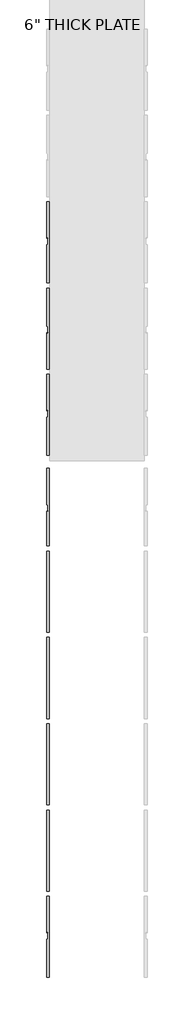
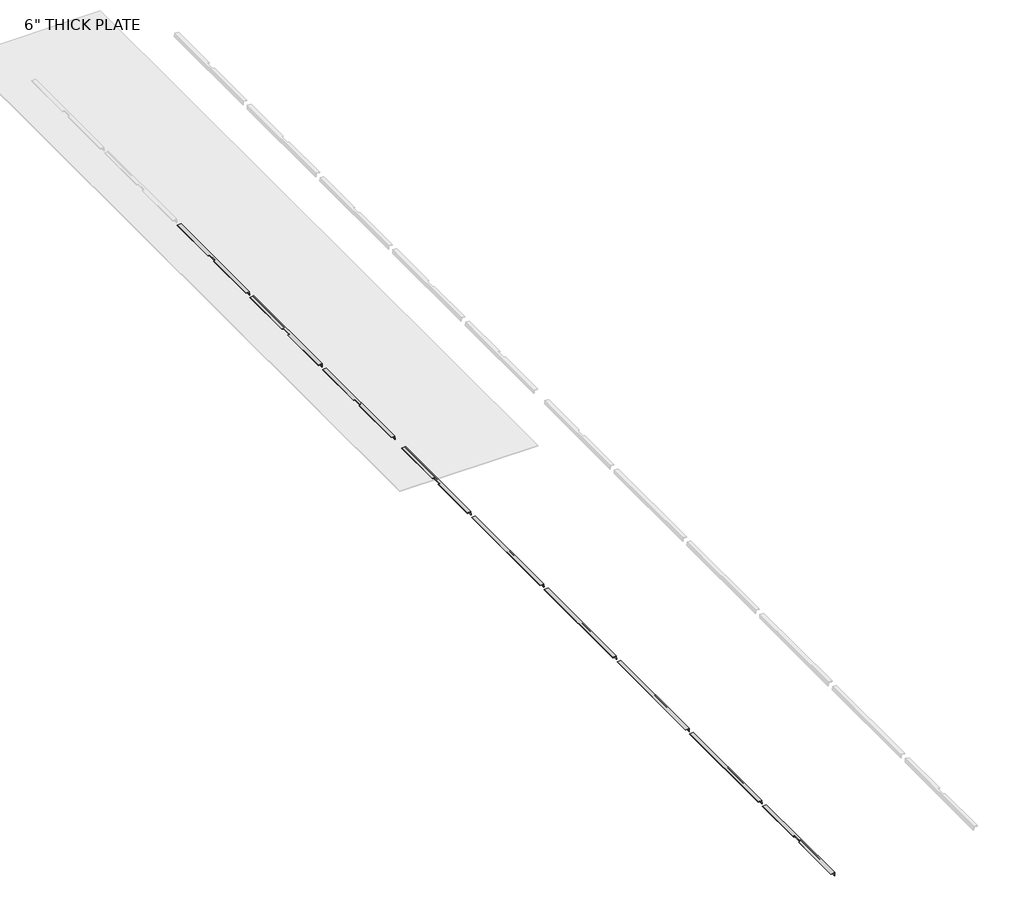
# One storey, part 1 of 3: 9 beams.
"""IFC4 building model written with IfcOpenShell, lengths in millimetres."""

from ifc_helpers import new_model, si_unit, point, frame, frame_2d, origin, place, context, project, spatial, polyline, circle_curve, ellipse_curve, trimmed, segment, composite_curve, outline, extrude, element, save
from ifc_brep_helpers import plane_surface, cylinder_surface, revolved_surface, advanced_brep

model = new_model("IFC4")

# Units and contexts
model_context = context("Model", 3, world=origin())
ifc_project = project(units=[si_unit("LENGTHUNIT", "METRE", prefix="MILLI")], contexts=[model_context])

# Site, building, storey
site = spatial("IfcSite", under=ifc_project)
building = spatial("IfcBuilding", under=site)
storey = spatial("IfcBuildingStorey", under=building, Name="6\" THICK PLATE", Elevation=15389.0)

# Beams
placement = place(None, origin())
element("IfcBeam", 1, ObjectType="RSA-Rectangular Steel Angle : 50x50x6+RSA", at=placement, inside=storey, context=model_context, shape_type="AdvancedBrep", body=[
    advanced_brep(
    [(-972.467522, 15732.4479556, 16109.2881776), (-922.6577871, 15732.4479556, 16113.6459647), (-918.3, 15732.4479556, 16063.8362298), (-919.993531, 15732.4479556, 16063.688065), (-925.1936131, 15732.4479556, 16068.051452), (-927.6078272, 15732.4479556, 16095.6460452), (-939.524682, 15732.4479556, 16105.6454737), (-967.1192752, 15732.4479556, 16103.2312596), (-972.3193573, 15732.4479556, 16107.5946466), (-918.3, 14162.4479556, 16063.8362298), (-922.6577871, 14162.4479556, 16113.6459647), (-972.467522, 14162.4479556, 16109.2881776), (-972.3193573, 14162.4479556, 16107.5946466), (-967.1192752, 14162.4479556, 16103.2312596), (-939.524682, 14162.4479556, 16105.6454737), (-927.6078272, 14162.4479556, 16095.6460452), (-925.1936131, 14162.4479556, 16068.051452), (-919.993531, 14162.4479556, 16063.688065), (-967.1192752, 14891.1404403, 16103.2312596), (-960.0, 14891.8286062, 16103.8541155), (-950.0, 14907.6972638, 16104.7290021), (-950.0, 15012.0115023, 16104.7290021), (-960.0, 15025.9469128, 16103.8541155), (-967.1192752, 15025.258747, 16103.2312596), (-972.3193573, 15030.0796601, 16107.5946466), (-972.467522, 15031.9507675, 16109.2881776), (-960.0, 15033.1559075, 16110.3789444), (-950.0, 15019.220497, 16111.2538311), (-950.0, 14914.9062584, 16111.2538311), (-960.0, 14899.0376008, 16110.3789444), (-972.467522, 14897.8324608, 16109.2881776), (-972.3193573, 14895.9613534, 16107.5946466)],
    [
        (0, 1),
        (1, 2),
        (2, 3),
        (3, 4, circle_curve(frame((-920.4118786, 15732.4479556, 16068.4697996), z_axis=(0.0, 1.0, 0.0), x_axis=(0.08715574274765342, 0.0, -0.996194698091746)), 4.8)),
        (4, 5),
        (5, 6, circle_curve(frame((-938.5659689, 15732.4479556, 16094.687332), z_axis=(0.0, -1.0, 0.0), x_axis=(0.08715574274765342, 0.0, -0.996194698091746)), 11.0)),
        (6, 7),
        (7, 8, circle_curve(frame((-967.5376227, 15732.4479556, 16108.0129942), z_axis=(0.0, 1.0, 0.0), x_axis=(0.08715574274765342, 0.0, -0.996194698091746)), 4.8)),
        (8, 0),
        (9, 10),
        (10, 11),
        (11, 12),
        (12, 13, circle_curve(frame((-967.5376227, 14162.4479556, 16108.0129942), z_axis=(0.0, -1.0, 0.0), x_axis=(0.08715574274765342, 0.0, -0.996194698091746)), 4.8)),
        (13, 14),
        (14, 15, circle_curve(frame((-938.5659689, 14162.4479556, 16094.687332), z_axis=(0.0, 1.0, 0.0), x_axis=(0.08715574274765342, 0.0, -0.996194698091746)), 11.0)),
        (15, 16),
        (16, 17, circle_curve(frame((-920.4118786, 14162.4479556, 16068.4697996), z_axis=(0.0, -1.0, 0.0), x_axis=(0.08715574274765342, 0.0, -0.996194698091746)), 4.8)),
        (17, 9),
        (1, 10),
        (9, 2),
        (17, 3),
        (16, 4),
        (15, 5),
        (14, 6),
        (13, 18),
        (18, 19),
        (19, 20, ellipse_curve(frame((-960.0, 14906.7306402, 16103.8541155), z_axis=(-0.08715574274765342, 0.0, 0.996194698091746), x_axis=(-0.07834072715653213, -0.9969030816351065, -0.006853925518573427)), 14.9589574, 10.0)),
        (20, 21),
        (21, 22, ellipse_curve(frame((-960.0, 15011.0448788, 16103.8541155), z_axis=(-0.08715574274765342, 0.0, 0.996194698091746), x_axis=(-0.07834072715653213, -0.9969030816351065, -0.006853925518573427)), 14.9589574, 10.0)),
        (22, 23),
        (23, 7),
        (23, 24, ellipse_curve(frame((-967.5376227, 15030.5418738, 16108.0129942), z_axis=(-2.47063469377615e-12, 0.6710493311825084, -0.7414127022917183), x_axis=(2.238276867017849e-12, 0.7414127022917183, 0.6710493311825084)), 7.1529764, 4.8)),
        (24, 8),
        (24, 25),
        (25, 0),
        (25, 26),
        (26, 27, ellipse_curve(frame((-960.0, 15018.2538734, 16110.3789444), z_axis=(0.08715574274765342, 0.0, -0.996194698091746), x_axis=(-0.07834072715653213, -0.9969030816351065, -0.006853925518573427)), 14.9589574, 10.0)),
        (27, 28),
        (28, 29, ellipse_curve(frame((-960.0, 14913.9396349, 16110.3789444), z_axis=(0.08715574274765342, 0.0, -0.996194698091746), x_axis=(-0.07834072715653213, -0.9969030816351065, -0.006853925518573427)), 14.9589574, 10.0)),
        (29, 30),
        (30, 11),
        (22, 26),
        (21, 27),
        (20, 28),
        (19, 29),
        (18, 31, ellipse_curve(frame((-967.5376227, 14896.4235671, 16108.0129942), z_axis=(-2.6210457584624914e-12, 0.6710493311825084, -0.7414127022917183), x_axis=(2.374413251042876e-12, 0.7414127022917183, 0.6710493311825084)), 7.1529764, 4.8)),
        (31, 30),
        (12, 31),
    ],
    [
        plane_surface(frame((-935.5661403, 15732.4479556, 16098.2623885), z_axis=(0.0, 1.0, 0.0), x_axis=(0.996194698091746, 0.0, 0.08715574274765342))),
        plane_surface(frame((-935.5661403, 14162.4479556, 16098.2623885), z_axis=(0.0, -1.0, 0.0), x_axis=(0.996194698091746, 0.0, 0.08715574274765342))),
        plane_surface(frame((-922.6577871, 15732.4479556, 16113.6459647), z_axis=(0.996194698091746, 0.0, 0.08715574274765342), x_axis=(0.0, -1.0, 0.0))),
        plane_surface(frame((-918.3, 15732.4479556, 16063.8362298), z_axis=(0.08715574274765342, 0.0, -0.996194698091746), x_axis=(0.0, -1.0, 0.0))),
        cylinder_surface(frame((-920.4118786, 15732.4479556, 16068.4697996), z_axis=(0.0, 1.0, 0.0), x_axis=(0.08715574274765342, 0.0, -0.996194698091746)), 4.8),
        plane_surface(frame((-925.1936131, 15732.4479556, 16068.051452), z_axis=(-0.996194698091746, 0.0, -0.08715574274765342), x_axis=(0.0, -1.0, 0.0))),
        revolved_surface(polyline([(-937.6072557297758, 14162.4479556, 16083.72919032099), (-937.6072557297758, 15732.4479556, 16083.72919032099)]), (-938.5659689, 15732.4479556, 16094.687332), (0.0, -1.0, 0.0)),
        plane_surface(frame((-939.524682, 15732.4479556, 16105.6454737), z_axis=(0.08715574274765342, 0.0, -0.996194698091746), x_axis=(0.0, -1.0, 0.0))),
        cylinder_surface(frame((-967.5376227, 15732.4479556, 16108.0129942), z_axis=(0.0, 1.0, 0.0), x_axis=(0.08715574274765342, 0.0, -0.996194698091746)), 4.8),
        plane_surface(frame((-972.3193573, 15732.4479556, 16107.5946466), z_axis=(-0.996194698091746, 0.0, -0.08715574274765342), x_axis=(0.0, -1.0, 0.0))),
        plane_surface(frame((-972.467522, 15732.4479556, 16109.2881776), z_axis=(-0.08715574274765342, 0.0, 0.996194698091746), x_axis=(0.0, -1.0, 0.0))),
        plane_surface(frame((-990.0, 14078.8933154, 15246.680127), z_axis=(2.47063469377615e-12, -0.6710493311825084, 0.7414127022917183), x_axis=(-2.797244772204705e-12, 0.7414127022917183, 0.6710493311825084))),
        revolved_surface(polyline([(-970.0000000001202, 15002.796503144971, 16096.388547478253), (-970.0000000002096, 15026.502249062305, 16117.844512413623)]), (-960.0, 14970.9346822, 16067.5505554), (2.7971957972745488e-12, -0.7414127022917183, -0.6710493311825081)),
        plane_surface(frame((-950.0, 14072.1828221, 15254.094254), z_axis=(-1.0, -3.773771759757499e-12, 0.0), x_axis=(-2.797244772204705e-12, 0.7414127022917183, 0.6710493311825084))),
        revolved_surface(polyline([(-969.9999999999038, 14898.482264547949, 16096.388547474962), (-969.9999999999933, 14922.188010520253, 16117.844512460084)]), (-960.0, 14923.961229, 16119.4494446), (2.7971957972745488e-12, -0.7414127022917183, -0.6710493311825081)),
        plane_surface(frame((-960.0, 14018.4988756, 15313.4072702), z_axis=(-2.6210457584624914e-12, 0.6710493311825084, -0.7414127022917183), x_axis=(-2.797244772204705e-12, 0.7414127022917183, 0.6710493311825084))),
    ],
    [
        (0, [[1, 2, 3, 4, 5, 6, 7, 8, 9]]),
        (1, [[10, 11, 12, 13, 14, 15, 16, 17, 18]]),
        (2, [[-2, 19, -10, 20]]),
        (3, [[-3, -20, -18, 21]]),
        (4, [[-4, -21, -17, 22]]),
        (5, [[-5, -22, -16, 23]]),
        (6, [[-6, -23, -15, 24]]),
        (7, [[-7, -24, -14, 25, 26, 27, 28, 29, 30, 31]]),
        (8, [[-8, -31, 32, 33]]),
        (9, [[-9, -33, 34, 35]]),
        (10, [[-1, -35, 36, 37, 38, 39, 40, 41, -11, -19]]),
        (11, [[42, -36, -34, -32, -30]]),
        (12, [[-42, -29, 43, -37]]),
        (13, [[-43, -28, 44, -38]]),
        (14, [[-44, -27, 45, -39]]),
        (15, [[-45, -26, 46, 47, -40]]),
        (8, [[-13, 48, -46, -25]]),
        (9, [[-12, -41, -47, -48]]),
    ],
),
])
element("IfcBeam", 2, ObjectType="RSA-Rectangular Steel Angle : 50x50x6+RSA", at=placement, inside=storey, context=model_context, shape_type="AdvancedBrep", body=[
    advanced_brep(
    [(-922.6577871, 12492.4479556, 16113.6459647), (-972.467522, 12492.4479556, 16109.2881776), (-972.3193573, 12492.4479556, 16107.5946466), (-967.1192752, 12492.4479556, 16103.2312596), (-939.524682, 12492.4479556, 16105.6454737), (-927.6078272, 12492.4479556, 16095.6460452), (-925.1936131, 12492.4479556, 16068.051452), (-919.993531, 12492.4479556, 16063.688065), (-918.3, 12492.4479556, 16063.8362298), (-922.6577871, 14062.4479556, 16113.6459647), (-918.3, 14062.4479556, 16063.8362298), (-919.993531, 14062.4479556, 16063.688065), (-925.1936131, 14062.4479556, 16068.051452), (-927.6078272, 14062.4479556, 16095.6460452), (-939.524682, 14062.4479556, 16105.6454737), (-967.1192752, 14062.4479556, 16103.2312596), (-972.3193573, 14062.4479556, 16107.5946466), (-972.467522, 14062.4479556, 16109.2881776), (-967.1192752, 13199.6371643, 16103.2312596), (-960.0, 13198.9489984, 16103.8541155), (-950.0, 13212.884409, 16104.7290021), (-950.0, 13317.1986475, 16104.7290021), (-960.0, 13333.0673051, 16103.8541155), (-967.1192752, 13333.755471, 16103.2312596), (-972.3193573, 13328.9345579, 16107.5946466), (-972.467522, 13192.9451437, 16109.2881776), (-972.3193573, 13194.8162512, 16107.5946466), (-972.467522, 13327.0634504, 16109.2881776), (-960.0, 13325.8583104, 16110.3789444), (-950.0, 13309.9896528, 16111.2538311), (-950.0, 13205.6754143, 16111.2538311), (-960.0, 13191.7400037, 16110.3789444)],
    [
        (0, 1),
        (1, 2),
        (2, 3, circle_curve(frame((-967.5376227, 12492.4479556, 16108.0129942), z_axis=(0.0, -1.0, 0.0), x_axis=(0.08715574274765342, 0.0, -0.996194698091746)), 4.8)),
        (3, 4),
        (4, 5, circle_curve(frame((-938.5659689, 12492.4479556, 16094.687332), z_axis=(0.0, 1.0, 0.0), x_axis=(0.08715574274765342, 0.0, -0.996194698091746)), 11.0)),
        (5, 6),
        (6, 7, circle_curve(frame((-920.4118786, 12492.4479556, 16068.4697996), z_axis=(0.0, -1.0, 0.0), x_axis=(0.08715574274765342, 0.0, -0.996194698091746)), 4.8)),
        (7, 8),
        (8, 0),
        (9, 10),
        (10, 11),
        (11, 12, circle_curve(frame((-920.4118786, 14062.4479556, 16068.4697996), z_axis=(0.0, 1.0, 0.0), x_axis=(0.08715574274765342, 0.0, -0.996194698091746)), 4.8)),
        (12, 13),
        (13, 14, circle_curve(frame((-938.5659689, 14062.4479556, 16094.687332), z_axis=(0.0, -1.0, 0.0), x_axis=(0.08715574274765342, 0.0, -0.996194698091746)), 11.0)),
        (14, 15),
        (15, 16, circle_curve(frame((-967.5376227, 14062.4479556, 16108.0129942), z_axis=(0.0, 1.0, 0.0), x_axis=(0.08715574274765342, 0.0, -0.996194698091746)), 4.8)),
        (16, 17),
        (17, 9),
        (8, 10),
        (9, 0),
        (7, 11),
        (6, 12),
        (5, 13),
        (4, 14),
        (3, 18),
        (18, 19),
        (19, 20, ellipse_curve(frame((-960.0, 13213.8510325, 16103.8541155), z_axis=(-0.08715574274765342, 0.0, 0.996194698091746), x_axis=(-0.07834072715653213, 0.9969030816351065, -0.006853925518573427)), 14.9589574, 10.0)),
        (20, 21),
        (21, 22, ellipse_curve(frame((-960.0, 13318.165271, 16103.8541155), z_axis=(-0.08715574274765342, 0.0, 0.996194698091746), x_axis=(-0.07834072715653213, 0.9969030816351065, -0.006853925518573427)), 14.9589574, 10.0)),
        (22, 23),
        (23, 15),
        (23, 24, ellipse_curve(frame((-967.5376227, 13328.4723442, 16108.0129942), z_axis=(2.5190785113004328e-12, 0.671049331182508, 0.7414127022917187), x_axis=(2.2821231502675317e-12, -0.7414127022917187, 0.671049331182508)), 7.1529764, 4.8)),
        (24, 16),
        (1, 25),
        (25, 26),
        (26, 2),
        (17, 27),
        (27, 28),
        (28, 29, ellipse_curve(frame((-960.0, 13310.9562764, 16110.3789444), z_axis=(0.08715574274765342, 0.0, -0.996194698091746), x_axis=(-0.07834072715653213, 0.9969030816351065, -0.006853925518573427)), 14.9589574, 10.0)),
        (29, 30),
        (30, 31, ellipse_curve(frame((-960.0, 13206.6420378, 16110.3789444), z_axis=(0.08715574274765342, 0.0, -0.996194698091746), x_axis=(-0.07834072715653213, 0.9969030816351065, -0.006853925518573427)), 14.9589574, 10.0)),
        (31, 25),
        (28, 22),
        (21, 29),
        (20, 30),
        (19, 31),
        (18, 26, ellipse_curve(frame((-967.5376227, 13194.3540375, 16108.0129942), z_axis=(2.4655550816640964e-12, 0.671049331182508, 0.7414127022917187), x_axis=(2.2336793327431786e-12, -0.7414127022917187, 0.671049331182508)), 7.1529764, 4.8)),
        (27, 24),
    ],
    [
        plane_surface(frame((-935.5661403, 12492.4479556, 16098.2623885), z_axis=(0.0, -1.0, 0.0), x_axis=(0.996194698091746, 0.0, 0.08715574274765342))),
        plane_surface(frame((-935.5661403, 14062.4479556, 16098.2623885), z_axis=(0.0, 1.0, 0.0), x_axis=(0.996194698091746, 0.0, 0.08715574274765342))),
        plane_surface(frame((-922.6577871, 12492.4479556, 16113.6459647), z_axis=(0.996194698091746, 0.0, 0.08715574274765342), x_axis=(0.0, 1.0, 0.0))),
        plane_surface(frame((-918.3, 12492.4479556, 16063.8362298), z_axis=(0.08715574274765342, 0.0, -0.996194698091746), x_axis=(0.0, 1.0, 0.0))),
        cylinder_surface(frame((-920.4118786, 12492.4479556, 16068.4697996), z_axis=(0.0, -1.0, 0.0), x_axis=(0.08715574274765342, 0.0, -0.996194698091746)), 4.8),
        plane_surface(frame((-925.1936131, 12492.4479556, 16068.051452), z_axis=(-0.996194698091746, 0.0, -0.08715574274765342), x_axis=(0.0, 1.0, 0.0))),
        revolved_surface(polyline([(-937.6072557297758, 14062.4479556, 16083.72919032099), (-937.6072557297758, 12492.4479556, 16083.72919032099)]), (-938.5659689, 12492.4479556, 16094.687332), (0.0, 1.0, 0.0)),
        plane_surface(frame((-939.524682, 12492.4479556, 16105.6454737), z_axis=(0.08715574274765342, 0.0, -0.996194698091746), x_axis=(0.0, 1.0, 0.0))),
        cylinder_surface(frame((-967.5376227, 12492.4479556, 16108.0129942), z_axis=(0.0, -1.0, 0.0), x_axis=(0.08715574274765342, 0.0, -0.996194698091746)), 4.8),
        plane_surface(frame((-972.3193573, 12492.4479556, 16107.5946466), z_axis=(-0.996194698091746, 0.0, -0.08715574274765342), x_axis=(0.0, 1.0, 0.0))),
        plane_surface(frame((-972.467522, 12492.4479556, 16109.2881776), z_axis=(-0.08715574274765342, 0.0, 0.996194698091746), x_axis=(0.0, 1.0, 0.0))),
        revolved_surface(polyline([(-949.9999999999038, 13326.413646651974, 16096.388547474964), (-949.9999999999933, 13302.707900734642, 16117.844512410333)]), (-960.0, 13300.9346822, 16119.4494446), (2.7971957972745488e-12, 0.7414127022917183, -0.6710493311825081)),
        plane_surface(frame((-950.0, 14199.6865423, 15305.9931432), z_axis=(-1.0, 3.773771759757578e-12, 0.0), x_axis=(-2.7972447722047065e-12, -0.7414127022917187, 0.671049331182508))),
        revolved_surface(polyline([(-950.0000000001202, 13222.099408109922, 16096.388547428502), (-950.0000000002096, 13198.39366213762, 16117.844512413623)]), (-960.0, 13253.961229, 16067.5505554), (2.7971957972745488e-12, 0.7414127022917183, -0.6710493311825081)),
        plane_surface(frame((-960.0, 14146.0025958, 15246.680127), z_axis=(2.4655550816640964e-12, 0.671049331182508, 0.7414127022917187), x_axis=(-2.7972447722047065e-12, -0.7414127022917187, 0.671049331182508))),
        plane_surface(frame((-990.0, 14206.3970356, 15313.4072702), z_axis=(-2.5190785113004328e-12, -0.671049331182508, -0.7414127022917187), x_axis=(-2.7972447722047065e-12, -0.7414127022917187, 0.671049331182508))),
    ],
    [
        (0, [[1, 2, 3, 4, 5, 6, 7, 8, 9]]),
        (1, [[10, 11, 12, 13, 14, 15, 16, 17, 18]]),
        (2, [[-9, 19, -10, 20]]),
        (3, [[-8, 21, -11, -19]]),
        (4, [[-7, 22, -12, -21]]),
        (5, [[-6, 23, -13, -22]]),
        (6, [[-5, 24, -14, -23]]),
        (7, [[-4, 25, 26, 27, 28, 29, 30, 31, -15, -24]]),
        (8, [[-16, -31, 32, 33]]),
        (9, [[-2, 34, 35, 36]]),
        (10, [[-1, -20, -18, 37, 38, 39, 40, 41, 42, -34]]),
        (11, [[43, -29, 44, -39]]),
        (12, [[-44, -28, 45, -40]]),
        (13, [[-45, -27, 46, -41]]),
        (14, [[-46, -26, 47, -35, -42]]),
        (15, [[-43, -38, 48, -32, -30]]),
        (8, [[-3, -36, -47, -25]]),
        (9, [[-17, -33, -48, -37]]),
    ],
),
])
element("IfcBeam", 3, ObjectType="RSA-Rectangular Steel Angle : 50x50x6+RSA", at=placement, inside=storey, context=model_context, shape_type="AdvancedBrep", body=[
    advanced_brep(
    [(-972.467522, 12392.4479556, 16109.2881776), (-922.6577871, 12392.4479556, 16113.6459647), (-918.3, 12392.4479556, 16063.8362298), (-919.993531, 12392.4479556, 16063.688065), (-925.1936131, 12392.4479556, 16068.051452), (-927.6078272, 12392.4479556, 16095.6460452), (-939.524682, 12392.4479556, 16105.6454737), (-967.1192752, 12392.4479556, 16103.2312596), (-972.3193573, 12392.4479556, 16107.5946466), (-918.3, 10822.4479556, 16063.8362298), (-922.6577871, 10822.4479556, 16113.6459647), (-972.467522, 10822.4479556, 16109.2881776), (-972.3193573, 10822.4479556, 16107.5946466), (-967.1192752, 10822.4479556, 16103.2312596), (-939.524682, 10822.4479556, 16105.6454737), (-927.6078272, 10822.4479556, 16095.6460452), (-925.1936131, 10822.4479556, 16068.051452), (-919.993531, 10822.4479556, 16063.688065), (-967.1192752, 11551.1404403, 16103.2312596), (-960.0, 11551.8286062, 16103.8541155), (-950.0, 11567.6972638, 16104.7290021), (-950.0, 11672.0115023, 16104.7290021), (-960.0, 11685.9469128, 16103.8541155), (-967.1192752, 11685.258747, 16103.2312596), (-972.3193573, 11690.0796601, 16107.5946466), (-972.467522, 11691.9507675, 16109.2881776), (-960.0, 11693.1559075, 16110.3789444), (-950.0, 11679.220497, 16111.2538311), (-950.0, 11574.9062584, 16111.2538311), (-960.0, 11559.0376008, 16110.3789444), (-972.467522, 11557.8324608, 16109.2881776), (-972.3193573, 11555.9613534, 16107.5946466)],
    [
        (0, 1),
        (1, 2),
        (2, 3),
        (3, 4, circle_curve(frame((-920.4118786, 12392.4479556, 16068.4697996), z_axis=(0.0, 1.0, 0.0), x_axis=(0.08715574274765342, 0.0, -0.996194698091746)), 4.8)),
        (4, 5),
        (5, 6, circle_curve(frame((-938.5659689, 12392.4479556, 16094.687332), z_axis=(0.0, -1.0, 0.0), x_axis=(0.08715574274765342, 0.0, -0.996194698091746)), 11.0)),
        (6, 7),
        (7, 8, circle_curve(frame((-967.5376227, 12392.4479556, 16108.0129942), z_axis=(0.0, 1.0, 0.0), x_axis=(0.08715574274765342, 0.0, -0.996194698091746)), 4.8)),
        (8, 0),
        (9, 10),
        (10, 11),
        (11, 12),
        (12, 13, circle_curve(frame((-967.5376227, 10822.4479556, 16108.0129942), z_axis=(0.0, -1.0, 0.0), x_axis=(0.08715574274765342, 0.0, -0.996194698091746)), 4.8)),
        (13, 14),
        (14, 15, circle_curve(frame((-938.5659689, 10822.4479556, 16094.687332), z_axis=(0.0, 1.0, 0.0), x_axis=(0.08715574274765342, 0.0, -0.996194698091746)), 11.0)),
        (15, 16),
        (16, 17, circle_curve(frame((-920.4118786, 10822.4479556, 16068.4697996), z_axis=(0.0, -1.0, 0.0), x_axis=(0.08715574274765342, 0.0, -0.996194698091746)), 4.8)),
        (17, 9),
        (1, 10),
        (9, 2),
        (17, 3),
        (16, 4),
        (15, 5),
        (14, 6),
        (13, 18),
        (18, 19),
        (19, 20, ellipse_curve(frame((-960.0, 11566.7306402, 16103.8541155), z_axis=(-0.08715574274765342, 0.0, 0.996194698091746), x_axis=(-0.07834072715653172, -0.9969030816351065, -0.006853925518573496)), 14.9589574, 10.0)),
        (20, 21),
        (21, 22, ellipse_curve(frame((-960.0, 11671.0448788, 16103.8541155), z_axis=(-0.08715574274765342, 0.0, 0.996194698091746), x_axis=(-0.07834072715653172, -0.9969030816351065, -0.006853925518573496)), 14.9589574, 10.0)),
        (22, 23),
        (23, 7),
        (23, 24, ellipse_curve(frame((-967.5376227, 11690.5418738, 16108.0129942), z_axis=(-2.567522328826285e-12, 0.6710493311825347, -0.7414127022916945), x_axis=(2.3259694335188065e-12, 0.7414127022916945, 0.6710493311825348)), 7.1529764, 4.8)),
        (24, 8),
        (24, 25),
        (25, 0),
        (25, 26),
        (26, 27, ellipse_curve(frame((-960.0, 11678.2538734, 16110.3789444), z_axis=(0.08715574274765342, 0.0, -0.996194698091746), x_axis=(-0.07834072715653172, -0.9969030816351065, -0.006853925518573496)), 14.9589574, 10.0)),
        (27, 28),
        (28, 29, ellipse_curve(frame((-960.0, 11573.9396349, 16110.3789444), z_axis=(0.08715574274765342, 0.0, -0.996194698091746), x_axis=(-0.07834072715653172, -0.9969030816351065, -0.006853925518573496)), 14.9589574, 10.0)),
        (29, 30),
        (30, 11),
        (22, 26),
        (21, 27),
        (20, 28),
        (19, 29),
        (18, 31, ellipse_curve(frame((-967.5376227, 11556.4235671, 16108.0129942), z_axis=(-2.519078511300509e-12, 0.6710493311825342, -0.741412702291695), x_axis=(2.282123150267763e-12, 0.7414127022916951, 0.6710493311825342)), 7.1529764, 4.8)),
        (31, 30),
        (12, 31),
    ],
    [
        plane_surface(frame((-935.5661403, 12392.4479556, 16098.2623885), z_axis=(0.0, 1.0, 0.0), x_axis=(0.996194698091746, 0.0, 0.08715574274765342))),
        plane_surface(frame((-935.5661403, 10822.4479556, 16098.2623885), z_axis=(0.0, -1.0, 0.0), x_axis=(0.996194698091746, 0.0, 0.08715574274765342))),
        plane_surface(frame((-922.6577871, 12392.4479556, 16113.6459647), z_axis=(0.996194698091746, 0.0, 0.08715574274765342), x_axis=(0.0, -1.0, 0.0))),
        plane_surface(frame((-918.3, 12392.4479556, 16063.8362298), z_axis=(0.08715574274765342, 0.0, -0.996194698091746), x_axis=(0.0, -1.0, 0.0))),
        cylinder_surface(frame((-920.4118786, 12392.4479556, 16068.4697996), z_axis=(0.0, 1.0, 0.0), x_axis=(0.08715574274765342, 0.0, -0.996194698091746)), 4.8),
        plane_surface(frame((-925.1936131, 12392.4479556, 16068.051452), z_axis=(-0.996194698091746, 0.0, -0.08715574274765342), x_axis=(0.0, -1.0, 0.0))),
        revolved_surface(polyline([(-937.6072557297758, 10822.4479556, 16083.72919032099), (-937.6072557297758, 12392.4479556, 16083.72919032099)]), (-938.5659689, 12392.4479556, 16094.687332), (0.0, -1.0, 0.0)),
        plane_surface(frame((-939.524682, 12392.4479556, 16105.6454737), z_axis=(0.08715574274765342, 0.0, -0.996194698091746), x_axis=(0.0, -1.0, 0.0))),
        cylinder_surface(frame((-967.5376227, 12392.4479556, 16108.0129942), z_axis=(0.0, 1.0, 0.0), x_axis=(0.08715574274765342, 0.0, -0.996194698091746)), 4.8),
        plane_surface(frame((-972.3193573, 12392.4479556, 16107.5946466), z_axis=(-0.996194698091746, 0.0, -0.08715574274765342), x_axis=(0.0, -1.0, 0.0))),
        plane_surface(frame((-972.467522, 12392.4479556, 16109.2881776), z_axis=(-0.08715574274765342, 0.0, 0.996194698091746), x_axis=(0.0, -1.0, 0.0))),
        plane_surface(frame((-990.0, 10738.8933154, 15246.680127), z_axis=(2.567522328826285e-12, -0.6710493311825347, 0.7414127022916945), x_axis=(-2.801711252220997e-12, 0.7414127022916945, 0.6710493311825347))),
        revolved_surface(polyline([(-970.0000000001204, 11662.796503144971, 16096.388547478255), (-970.00000000021, 11686.502249062303, 16117.844512413625)]), (-960.0, 11630.9346822, 16067.5505554), (2.8016702878096134e-12, -0.7414127022916946, -0.6710493311825345)),
        plane_surface(frame((-950.0, 10732.1828221, 15254.094254), z_axis=(-1.0, -3.779678469286521e-12, 0.0), x_axis=(-2.801711252220995e-12, 0.7414127022916949, 0.6710493311825343))),
        revolved_surface(polyline([(-969.9999999999037, 11558.48226454795, 16096.388547474962), (-969.9999999999933, 11582.188010520253, 16117.844512460084)]), (-960.0, 11583.961229, 16119.4494446), (2.8016702878096134e-12, -0.7414127022916946, -0.6710493311825345)),
        plane_surface(frame((-960.0, 10678.4988756, 15313.4072702), z_axis=(-2.519078511300509e-12, 0.6710493311825342, -0.741412702291695), x_axis=(-2.8017112522209986e-12, 0.741412702291695, 0.6710493311825342))),
    ],
    [
        (0, [[1, 2, 3, 4, 5, 6, 7, 8, 9]]),
        (1, [[10, 11, 12, 13, 14, 15, 16, 17, 18]]),
        (2, [[-2, 19, -10, 20]]),
        (3, [[-3, -20, -18, 21]]),
        (4, [[-4, -21, -17, 22]]),
        (5, [[-5, -22, -16, 23]]),
        (6, [[-6, -23, -15, 24]]),
        (7, [[-7, -24, -14, 25, 26, 27, 28, 29, 30, 31]]),
        (8, [[-8, -31, 32, 33]]),
        (9, [[-9, -33, 34, 35]]),
        (10, [[-1, -35, 36, 37, 38, 39, 40, 41, -11, -19]]),
        (11, [[42, -36, -34, -32, -30]]),
        (12, [[-42, -29, 43, -37]]),
        (13, [[-43, -28, 44, -38]]),
        (14, [[-44, -27, 45, -39]]),
        (15, [[-45, -26, 46, 47, -40]]),
        (8, [[-13, 48, -46, -25]]),
        (9, [[-12, -41, -47, -48]]),
    ],
),
])
element("IfcBeam", 4, ObjectType="RSA-Rectangular Steel Angle : 50x50x6+RSA", at=placement, inside=storey, context=model_context, shape_type="AdvancedBrep", body=[
    advanced_brep(
    [(-922.6577871, 9072.4479556, 16113.6459647), (-972.467522, 9072.4479556, 16109.2881776), (-972.3193573, 9072.4479556, 16107.5946466), (-967.1192752, 9072.4479556, 16103.2312596), (-939.524682, 9072.4479556, 16105.6454737), (-927.6078272, 9072.4479556, 16095.6460452), (-925.1936131, 9072.4479556, 16068.051452), (-919.993531, 9072.4479556, 16063.688065), (-918.3, 9072.4479556, 16063.8362298), (-922.6577871, 10572.4479556, 16113.6459647), (-918.3, 10572.4479556, 16063.8362298), (-919.993531, 10572.4479556, 16063.688065), (-925.1936131, 10572.4479556, 16068.051452), (-927.6078272, 10572.4479556, 16095.6460452), (-939.524682, 10572.4479556, 16105.6454737), (-967.1192752, 10572.4479556, 16103.2312596), (-972.3193573, 10572.4479556, 16107.5946466), (-972.467522, 10572.4479556, 16109.2881776), (-967.1192752, 9746.7431512, 16103.2312596), (-960.0, 9746.0856679, 16103.8541155), (-950.0, 9759.7027064, 16104.7290021), (-950.0, 9861.4866557, 16104.7290021), (-960.0, 9876.9507456, 16103.8541155), (-967.1192752, 9877.6082289, 16103.2312596), (-972.3193573, 9873.0022609, 16107.5946466), (-972.467522, 9740.349501, 16109.2881776), (-972.3193573, 9742.1371832, 16107.5946466), (-972.467522, 9871.2145787, 16109.2881776), (-960.0, 9870.063171, 16110.3789444), (-950.0, 9854.5990812, 16111.2538311), (-950.0, 9752.8151319, 16111.2538311), (-960.0, 9739.1980933, 16110.3789444)],
    [
        (0, 1),
        (1, 2),
        (2, 3, circle_curve(frame((-967.5376227, 9072.4479556, 16108.0129942), z_axis=(0.0, -1.0, 0.0), x_axis=(0.08715574274765342, 0.0, -0.996194698091746)), 4.8)),
        (3, 4),
        (4, 5, circle_curve(frame((-938.5659689, 9072.4479556, 16094.687332), z_axis=(0.0, 1.0, 0.0), x_axis=(0.08715574274765342, 0.0, -0.996194698091746)), 11.0)),
        (5, 6),
        (6, 7, circle_curve(frame((-920.4118786, 9072.4479556, 16068.4697996), z_axis=(0.0, -1.0, 0.0), x_axis=(0.08715574274765342, 0.0, -0.996194698091746)), 4.8)),
        (7, 8),
        (8, 0),
        (9, 10),
        (10, 11),
        (11, 12, circle_curve(frame((-920.4118786, 10572.4479556, 16068.4697996), z_axis=(0.0, 1.0, 0.0), x_axis=(0.08715574274765342, 0.0, -0.996194698091746)), 4.8)),
        (12, 13),
        (13, 14, circle_curve(frame((-938.5659689, 10572.4479556, 16094.687332), z_axis=(0.0, -1.0, 0.0), x_axis=(0.08715574274765342, 0.0, -0.996194698091746)), 11.0)),
        (14, 15),
        (15, 16, circle_curve(frame((-967.5376227, 10572.4479556, 16108.0129942), z_axis=(0.0, 1.0, 0.0), x_axis=(0.08715574274765342, 0.0, -0.996194698091746)), 4.8)),
        (16, 17),
        (17, 9),
        (8, 10),
        (9, 0),
        (7, 11),
        (6, 12),
        (5, 13),
        (4, 14),
        (3, 18),
        (18, 19),
        (19, 20, ellipse_curve(frame((-960.0, 9760.6262321, 16103.8541155), z_axis=(-0.08715574274765342, 0.0, 0.996194698091746), x_axis=(-0.08197242224764964, 0.9966087945212705, -0.007171657668428947)), 14.5961068, 10.0)),
        (20, 21),
        (21, 22, ellipse_curve(frame((-960.0, 9862.4101814, 16103.8541155), z_axis=(-0.08715574274765342, 0.0, 0.996194698091746), x_axis=(-0.08197242224764964, 0.9966087945212705, -0.007171657668428947)), 14.5961068, 10.0)),
        (22, 23),
        (23, 15),
        (23, 24, ellipse_curve(frame((-967.5376227, 9872.5606555, 16108.0129942), z_axis=(0.0, 0.6877312236154661, 0.7259654014237689), x_axis=(0.0, -0.7259654014237688, 0.6877312236154662)), 6.9794708, 4.8)),
        (24, 16),
        (1, 25),
        (25, 26),
        (26, 2),
        (17, 27),
        (27, 28),
        (28, 29, ellipse_curve(frame((-960.0, 9855.5226068, 16110.3789444), z_axis=(0.08715574274765342, 0.0, -0.996194698091746), x_axis=(-0.08197242224764964, 0.9966087945212705, -0.007171657668428947)), 14.5961068, 10.0)),
        (29, 30),
        (30, 31, ellipse_curve(frame((-960.0, 9753.7386575, 16110.3789444), z_axis=(0.08715574274765342, 0.0, -0.996194698091746), x_axis=(-0.08197242224764964, 0.9966087945212705, -0.007171657668428947)), 14.5961068, 10.0)),
        (31, 25),
        (26, 18, ellipse_curve(frame((-967.5376227, 9741.6955778, 16108.0129942), z_axis=(0.0, -0.6877312236154661, -0.7259654014237689), x_axis=(0.0, -0.7259654014237688, 0.6877312236154662)), 6.9794708, 4.8)),
        (24, 27),
        (28, 22),
        (21, 29),
        (20, 30),
        (19, 31),
    ],
    [
        plane_surface(frame((-935.5661403, 9072.4479556, 16098.2623885), z_axis=(0.0, -1.0, 0.0), x_axis=(0.996194698091746, 0.0, 0.08715574274765342))),
        plane_surface(frame((-935.5661403, 10572.4479556, 16098.2623885), z_axis=(0.0, 1.0, 0.0), x_axis=(0.996194698091746, 0.0, 0.08715574274765342))),
        plane_surface(frame((-922.6577871, 9072.4479556, 16113.6459647), z_axis=(0.996194698091746, 0.0, 0.08715574274765342), x_axis=(0.0, 1.0, 0.0))),
        plane_surface(frame((-918.3, 9072.4479556, 16063.8362298), z_axis=(0.08715574274765342, 0.0, -0.996194698091746), x_axis=(0.0, 1.0, 0.0))),
        cylinder_surface(frame((-920.4118786, 9072.4479556, 16068.4697996), z_axis=(0.0, -1.0, 0.0), x_axis=(0.08715574274765342, 0.0, -0.996194698091746)), 4.8),
        plane_surface(frame((-925.1936131, 9072.4479556, 16068.051452), z_axis=(-0.996194698091746, 0.0, -0.08715574274765342), x_axis=(0.0, 1.0, 0.0))),
        revolved_surface(polyline([(-937.6072557297758, 10572.4479556, 16083.72919032099), (-937.6072557297758, 9072.4479556, 16083.72919032099)]), (-938.5659689, 9072.4479556, 16094.687332), (0.0, 1.0, 0.0)),
        plane_surface(frame((-939.524682, 9072.4479556, 16105.6454737), z_axis=(0.08715574274765342, 0.0, -0.996194698091746), x_axis=(0.0, 1.0, 0.0))),
        cylinder_surface(frame((-967.5376227, 9072.4479556, 16108.0129942), z_axis=(0.0, -1.0, 0.0), x_axis=(0.08715574274765342, 0.0, -0.996194698091746)), 4.8),
        plane_surface(frame((-972.3193573, 9072.4479556, 16107.5946466), z_axis=(-0.996194698091746, 0.0, -0.08715574274765342), x_axis=(0.0, 1.0, 0.0))),
        plane_surface(frame((-972.467522, 9072.4479556, 16109.2881776), z_axis=(-0.08715574274765342, 0.0, 0.996194698091746), x_axis=(0.0, 1.0, 0.0))),
        revolved_surface(polyline([(-950.0, 9870.128881402903, 16096.541933629982), (-950.0, 9847.803906782052, 16117.691126254136)]), (-960.0, 9846.5185485, 16118.908789), (0.0, 0.7259654014237689, -0.687731223615466)),
        plane_surface(frame((-950.0, 10705.1986696, 15305.4524876), z_axis=(-1.0, 0.0, 0.0), x_axis=(0.0, -0.7259654014237686, 0.6877312236154663))),
        revolved_surface(polyline([(-950.0, 9768.344932128068, 16096.541933656546), (-950.0, 9746.019957507217, 16117.691126280699)]), (-960.0, 9798.3773628, 16068.091211), (0.0, 0.7259654014237689, -0.687731223615466)),
        plane_surface(frame((-960.0, 10650.1801717, 15247.3752555), z_axis=(0.0, 0.6877312236154661, 0.7259654014237689), x_axis=(0.0, -0.7259654014237689, 0.6877312236154661))),
        plane_surface(frame((-990.0, 10712.0759818, 15312.7121417), z_axis=(0.0, -0.6877312236154661, -0.7259654014237689), x_axis=(0.0, -0.7259654014237689, 0.6877312236154661))),
    ],
    [
        (0, [[1, 2, 3, 4, 5, 6, 7, 8, 9]]),
        (1, [[10, 11, 12, 13, 14, 15, 16, 17, 18]]),
        (2, [[-9, 19, -10, 20]]),
        (3, [[-8, 21, -11, -19]]),
        (4, [[-7, 22, -12, -21]]),
        (5, [[-6, 23, -13, -22]]),
        (6, [[-5, 24, -14, -23]]),
        (7, [[-4, 25, 26, 27, 28, 29, 30, 31, -15, -24]]),
        (8, [[-16, -31, 32, 33]]),
        (9, [[-2, 34, 35, 36]]),
        (10, [[-1, -20, -18, 37, 38, 39, 40, 41, 42, -34]]),
        (8, [[-3, -36, 43, -25]]),
        (9, [[-17, -33, 44, -37]]),
        (11, [[45, -29, 46, -39]]),
        (12, [[-46, -28, 47, -40]]),
        (13, [[-47, -27, 48, -41]]),
        (14, [[-48, -26, -43, -35, -42]]),
        (15, [[-45, -38, -44, -32, -30]]),
    ],
),
])
element("IfcBeam", 5, ObjectType="RSA-Rectangular Steel Angle : 50x50x6+RSA", at=placement, inside=storey, context=model_context, shape_type="SweptSolid", body=[
    extrude(outline(composite_curve([segment(polyline([(16113.6459647, -922.6577871), (16109.2881776, -972.467522), (16107.5946466, -972.3193573)]), True, "CONTINUOUS"), segment(trimmed(circle_curve(frame_2d((16108.0129942, -967.5376227)), 4.8), [point((16107.5946466, -972.3193573))], [point((16103.2312596, -967.1192752))], False, "CARTESIAN"), True, "CONTINUOUS"), segment(polyline([(16103.2312596, -967.1192752), (16105.6454737, -939.524682)]), True, "CONTINUOUS"), segment(trimmed(circle_curve(frame_2d((16094.687332, -938.5659689)), 11.0), [point((16105.6454737, -939.524682))], [point((16095.6460452, -927.6078272))], True, "CARTESIAN"), True, "CONTINUOUS"), segment(polyline([(16095.6460452, -927.6078272), (16068.051452, -925.1936131)]), True, "CONTINUOUS"), segment(trimmed(circle_curve(frame_2d((16068.4697996, -920.4118786)), 4.8), [point((16068.051452, -925.1936131))], [point((16063.688065, -919.993531))], False, "CARTESIAN"), True, "CONTINUOUS"), segment(polyline([(16063.688065, -919.993531), (16063.8362298, -918.3), (16113.6459647, -922.6577871)]), True, "CONTINUOUS")], self_intersect=False)), frame((0.0, 7402.4479556, 0.0), z_axis=(0.0, 1.0, 0.0), x_axis=(0.0, 0.0, 1.0)), (0.0, 0.0, 1.0), 1570.0),
])
element("IfcBeam", 6, ObjectType="RSA-Rectangular Steel Angle : 50x50x6+RSA", at=placement, inside=storey, context=model_context, shape_type="SweptSolid", body=[
    extrude(outline(composite_curve([segment(polyline([(16113.6459647, -922.6577871), (16109.2881776, -972.467522), (16107.5946466, -972.3193573)]), True, "CONTINUOUS"), segment(trimmed(circle_curve(frame_2d((16108.0129942, -967.5376227)), 4.8), [point((16107.5946466, -972.3193573))], [point((16103.2312596, -967.1192752))], False, "CARTESIAN"), True, "CONTINUOUS"), segment(polyline([(16103.2312596, -967.1192752), (16105.6454737, -939.524682)]), True, "CONTINUOUS"), segment(trimmed(circle_curve(frame_2d((16094.687332, -938.5659689)), 11.0), [point((16105.6454737, -939.524682))], [point((16095.6460452, -927.6078272))], True, "CARTESIAN"), True, "CONTINUOUS"), segment(polyline([(16095.6460452, -927.6078272), (16068.051452, -925.1936131)]), True, "CONTINUOUS"), segment(trimmed(circle_curve(frame_2d((16068.4697996, -920.4118786)), 4.8), [point((16068.051452, -925.1936131))], [point((16063.688065, -919.993531))], False, "CARTESIAN"), True, "CONTINUOUS"), segment(polyline([(16063.688065, -919.993531), (16063.8362298, -918.3), (16113.6459647, -922.6577871)]), True, "CONTINUOUS")], self_intersect=False)), frame((0.0, 5732.4479556, 0.0), z_axis=(0.0, 1.0, 0.0), x_axis=(0.0, 0.0, 1.0)), (0.0, 0.0, 1.0), 1570.0),
])
element("IfcBeam", 7, ObjectType="RSA-Rectangular Steel Angle : 50x50x6+RSA", at=placement, inside=storey, context=model_context, shape_type="SweptSolid", body=[
    extrude(outline(composite_curve([segment(polyline([(16113.6459647, -922.6577871), (16109.2881776, -972.467522), (16107.5946466, -972.3193573)]), True, "CONTINUOUS"), segment(trimmed(circle_curve(frame_2d((16108.0129942, -967.5376227)), 4.8), [point((16107.5946466, -972.3193573))], [point((16103.2312596, -967.1192752))], False, "CARTESIAN"), True, "CONTINUOUS"), segment(polyline([(16103.2312596, -967.1192752), (16105.6454737, -939.524682)]), True, "CONTINUOUS"), segment(trimmed(circle_curve(frame_2d((16094.687332, -938.5659689)), 11.0), [point((16105.6454737, -939.524682))], [point((16095.6460452, -927.6078272))], True, "CARTESIAN"), True, "CONTINUOUS"), segment(polyline([(16095.6460452, -927.6078272), (16068.051452, -925.1936131)]), True, "CONTINUOUS"), segment(trimmed(circle_curve(frame_2d((16068.4697996, -920.4118786)), 4.8), [point((16068.051452, -925.1936131))], [point((16063.688065, -919.993531))], False, "CARTESIAN"), True, "CONTINUOUS"), segment(polyline([(16063.688065, -919.993531), (16063.8362298, -918.3), (16113.6459647, -922.6577871)]), True, "CONTINUOUS")], self_intersect=False)), frame((0.0, 4062.4479556, 0.0), z_axis=(0.0, 1.0, 0.0), x_axis=(0.0, 0.0, 1.0)), (0.0, 0.0, 1.0), 1570.0),
])
element("IfcBeam", 8, ObjectType="RSA-Rectangular Steel Angle : 50x50x6+RSA", at=placement, inside=storey, context=model_context, shape_type="SweptSolid", body=[
    extrude(outline(composite_curve([segment(polyline([(16113.6459647, -922.6577871), (16109.2881776, -972.467522), (16107.5946466, -972.3193573)]), True, "CONTINUOUS"), segment(trimmed(circle_curve(frame_2d((16108.0129942, -967.5376227)), 4.8), [point((16107.5946466, -972.3193573))], [point((16103.2312596, -967.1192752))], False, "CARTESIAN"), True, "CONTINUOUS"), segment(polyline([(16103.2312596, -967.1192752), (16105.6454737, -939.524682)]), True, "CONTINUOUS"), segment(trimmed(circle_curve(frame_2d((16094.687332, -938.5659689)), 11.0), [point((16105.6454737, -939.524682))], [point((16095.6460452, -927.6078272))], True, "CARTESIAN"), True, "CONTINUOUS"), segment(polyline([(16095.6460452, -927.6078272), (16068.051452, -925.1936131)]), True, "CONTINUOUS"), segment(trimmed(circle_curve(frame_2d((16068.4697996, -920.4118786)), 4.8), [point((16068.051452, -925.1936131))], [point((16063.688065, -919.993531))], False, "CARTESIAN"), True, "CONTINUOUS"), segment(polyline([(16063.688065, -919.993531), (16063.8362298, -918.3), (16113.6459647, -922.6577871)]), True, "CONTINUOUS")], self_intersect=False)), frame((0.0, 2392.4479556, 0.0), z_axis=(0.0, 1.0, 0.0), x_axis=(0.0, 0.0, 1.0)), (0.0, 0.0, 1.0), 1570.0),
])
element("IfcBeam", 9, ObjectType="RSA-Rectangular Steel Angle : 50x50x6+RSA", at=placement, inside=storey, context=model_context, shape_type="AdvancedBrep", body=[
    advanced_brep(
    [(-972.467522, 2292.4479556, 16109.2881776), (-922.6577871, 2292.4479556, 16113.6459647), (-918.3, 2292.4479556, 16063.8362298), (-919.993531, 2292.4479556, 16063.688065), (-925.1936131, 2292.4479556, 16068.051452), (-927.6078272, 2292.4479556, 16095.6460452), (-939.524682, 2292.4479556, 16105.6454737), (-967.1192752, 2292.4479556, 16103.2312596), (-972.3193573, 2292.4479556, 16107.5946466), (-918.3, 722.4479556, 16063.8362298), (-922.6577871, 722.4479556, 16113.6459647), (-972.467522, 722.4479556, 16109.2881776), (-972.3193573, 722.4479556, 16107.5946466), (-967.1192752, 722.4479556, 16103.2312596), (-939.524682, 722.4479556, 16105.6454737), (-927.6078272, 722.4479556, 16095.6460452), (-925.1936131, 722.4479556, 16068.051452), (-919.993531, 722.4479556, 16063.688065), (-967.1192752, 1451.1404403, 16103.2312596), (-960.0, 1451.8286062, 16103.8541155), (-950.0, 1467.6972638, 16104.7290021), (-950.0, 1572.0115023, 16104.7290021), (-960.0, 1585.9469128, 16103.8541155), (-967.1192752, 1585.258747, 16103.2312596), (-972.3193573, 1590.0796601, 16107.5946466), (-972.467522, 1591.9507675, 16109.2881776), (-960.0, 1593.1559075, 16110.3789444), (-950.0, 1579.220497, 16111.2538311), (-950.0, 1474.9062584, 16111.2538311), (-960.0, 1459.0376008, 16110.3789444), (-972.467522, 1457.8324608, 16109.2881776), (-972.3193573, 1455.9613534, 16107.5946466)],
    [
        (0, 1),
        (1, 2),
        (2, 3),
        (3, 4, circle_curve(frame((-920.4118786, 2292.4479556, 16068.4697996), z_axis=(0.0, 1.0, 0.0), x_axis=(0.08715574274765342, 0.0, -0.996194698091746)), 4.8)),
        (4, 5),
        (5, 6, circle_curve(frame((-938.5659689, 2292.4479556, 16094.687332), z_axis=(0.0, -1.0, 0.0), x_axis=(0.08715574274765342, 0.0, -0.996194698091746)), 11.0)),
        (6, 7),
        (7, 8, circle_curve(frame((-967.5376227, 2292.4479556, 16108.0129942), z_axis=(0.0, 1.0, 0.0), x_axis=(0.08715574274765342, 0.0, -0.996194698091746)), 4.8)),
        (8, 0),
        (9, 10),
        (10, 11),
        (11, 12),
        (12, 13, circle_curve(frame((-967.5376227, 722.4479556, 16108.0129942), z_axis=(0.0, -1.0, 0.0), x_axis=(0.08715574274765342, 0.0, -0.996194698091746)), 4.8)),
        (13, 14),
        (14, 15, circle_curve(frame((-938.5659689, 722.4479556, 16094.687332), z_axis=(0.0, 1.0, 0.0), x_axis=(0.08715574274765342, 0.0, -0.996194698091746)), 11.0)),
        (15, 16),
        (16, 17, circle_curve(frame((-920.4118786, 722.4479556, 16068.4697996), z_axis=(0.0, -1.0, 0.0), x_axis=(0.08715574274765342, 0.0, -0.996194698091746)), 4.8)),
        (17, 9),
        (1, 10),
        (9, 2),
        (17, 3),
        (16, 4),
        (15, 5),
        (14, 6),
        (13, 18),
        (18, 19),
        (19, 20, ellipse_curve(frame((-960.0, 1466.7306402, 16103.8541155), z_axis=(-0.08715574274765342, 0.0, 0.996194698091746), x_axis=(-0.07834072715653172, -0.9969030816351065, -0.006853925518573496)), 14.9589574, 10.0)),
        (20, 21),
        (21, 22, ellipse_curve(frame((-960.0, 1571.0448788, 16103.8541155), z_axis=(-0.08715574274765342, 0.0, 0.996194698091746), x_axis=(-0.07834072715653172, -0.9969030816351065, -0.006853925518573496)), 14.9589574, 10.0)),
        (22, 23),
        (23, 7),
        (23, 24, ellipse_curve(frame((-967.5376227, 1590.5418738, 16108.0129942), z_axis=(-2.5372449428731433e-12, 0.6710493311825343, -0.7414127022916949), x_axis=(2.2985655064873277e-12, 0.741412702291695, 0.6710493311825343)), 7.1529764, 4.8)),
        (24, 8),
        (24, 25),
        (25, 0),
        (25, 26),
        (26, 27, ellipse_curve(frame((-960.0, 1578.2538734, 16110.3789444), z_axis=(0.08715574274765342, 0.0, -0.996194698091746), x_axis=(-0.07834072715653172, -0.9969030816351065, -0.006853925518573496)), 14.9589574, 10.0)),
        (27, 28),
        (28, 29, ellipse_curve(frame((-960.0, 1473.9396349, 16110.3789444), z_axis=(0.08715574274765342, 0.0, -0.996194698091746), x_axis=(-0.07834072715653172, -0.9969030816351065, -0.006853925518573496)), 14.9589574, 10.0)),
        (29, 30),
        (30, 11),
        (22, 26),
        (21, 27),
        (20, 28),
        (19, 29),
        (18, 31, ellipse_curve(frame((-967.5376227, 1456.4235671, 16108.0129942), z_axis=(-2.537244942872388e-12, 0.6710493311825344, -0.7414127022916949), x_axis=(2.2985655064866447e-12, 0.7414127022916949, 0.6710493311825346)), 7.1529764, 4.8)),
        (31, 30),
        (12, 31),
    ],
    [
        plane_surface(frame((-935.5661403, 2292.4479556, 16098.2623885), z_axis=(0.0, 1.0, 0.0), x_axis=(0.996194698091746, 0.0, 0.08715574274765342))),
        plane_surface(frame((-935.5661403, 722.4479556, 16098.2623885), z_axis=(0.0, -1.0, 0.0), x_axis=(0.996194698091746, 0.0, 0.08715574274765342))),
        plane_surface(frame((-922.6577871, 2292.4479556, 16113.6459647), z_axis=(0.996194698091746, 0.0, 0.08715574274765342), x_axis=(0.0, -1.0, 0.0))),
        plane_surface(frame((-918.3, 2292.4479556, 16063.8362298), z_axis=(0.08715574274765342, 0.0, -0.996194698091746), x_axis=(0.0, -1.0, 0.0))),
        cylinder_surface(frame((-920.4118786, 2292.4479556, 16068.4697996), z_axis=(0.0, 1.0, 0.0), x_axis=(0.08715574274765342, 0.0, -0.996194698091746)), 4.8),
        plane_surface(frame((-925.1936131, 2292.4479556, 16068.051452), z_axis=(-0.996194698091746, 0.0, -0.08715574274765342), x_axis=(0.0, -1.0, 0.0))),
        revolved_surface(polyline([(-937.6072557297758, 722.4479556000001, 16083.72919032099), (-937.6072557297758, 2292.4479556, 16083.72919032099)]), (-938.5659689, 2292.4479556, 16094.687332), (0.0, -1.0, 0.0)),
        plane_surface(frame((-939.524682, 2292.4479556, 16105.6454737), z_axis=(0.08715574274765342, 0.0, -0.996194698091746), x_axis=(0.0, -1.0, 0.0))),
        cylinder_surface(frame((-967.5376227, 2292.4479556, 16108.0129942), z_axis=(0.0, 1.0, 0.0), x_axis=(0.08715574274765342, 0.0, -0.996194698091746)), 4.8),
        plane_surface(frame((-972.3193573, 2292.4479556, 16107.5946466), z_axis=(-0.996194698091746, 0.0, -0.08715574274765342), x_axis=(0.0, -1.0, 0.0))),
        plane_surface(frame((-972.467522, 2292.4479556, 16109.2881776), z_axis=(-0.08715574274765342, 0.0, 0.996194698091746), x_axis=(0.0, -1.0, 0.0))),
        plane_surface(frame((-990.0, 638.8933154, 15246.680127), z_axis=(2.5372449428731433e-12, -0.6710493311825343, 0.7414127022916949), x_axis=(-2.8017112522210027e-12, 0.7414127022916949, 0.6710493311825343))),
        revolved_surface(polyline([(-970.0000000001204, 1562.7965031449712, 16096.388547478255), (-970.00000000021, 1586.5022490623028, 16117.844512413625)]), (-960.0, 1530.9346822, 16067.5505554), (2.8016702878096134e-12, -0.7414127022916946, -0.6710493311825345)),
        plane_surface(frame((-950.0, 632.1828221, 15254.094254), z_axis=(-1.0, -3.779678469286458e-12, 0.0), x_axis=(-2.8017112522210027e-12, 0.7414127022916949, 0.6710493311825343))),
        revolved_surface(polyline([(-969.9999999999037, 1458.4822645479512, 16096.388547474962), (-969.9999999999933, 1482.1880105202522, 16117.844512460084)]), (-960.0, 1483.961229, 16119.4494446), (2.8016702878096134e-12, -0.7414127022916946, -0.6710493311825345)),
        plane_surface(frame((-960.0, 578.4988756, 15313.4072702), z_axis=(-2.537244942872388e-12, 0.6710493311825344, -0.7414127022916949), x_axis=(-2.801711252221003e-12, 0.7414127022916949, 0.6710493311825344))),
    ],
    [
        (0, [[1, 2, 3, 4, 5, 6, 7, 8, 9]]),
        (1, [[10, 11, 12, 13, 14, 15, 16, 17, 18]]),
        (2, [[-2, 19, -10, 20]]),
        (3, [[-3, -20, -18, 21]]),
        (4, [[-4, -21, -17, 22]]),
        (5, [[-5, -22, -16, 23]]),
        (6, [[-6, -23, -15, 24]]),
        (7, [[-7, -24, -14, 25, 26, 27, 28, 29, 30, 31]]),
        (8, [[-8, -31, 32, 33]]),
        (9, [[-9, -33, 34, 35]]),
        (10, [[-1, -35, 36, 37, 38, 39, 40, 41, -11, -19]]),
        (11, [[42, -36, -34, -32, -30]]),
        (12, [[-42, -29, 43, -37]]),
        (13, [[-43, -28, 44, -38]]),
        (14, [[-44, -27, 45, -39]]),
        (15, [[-45, -26, 46, 47, -40]]),
        (8, [[-13, 48, -46, -25]]),
        (9, [[-12, -41, -47, -48]]),
    ],
),
])

save(model, "model.ifc")
